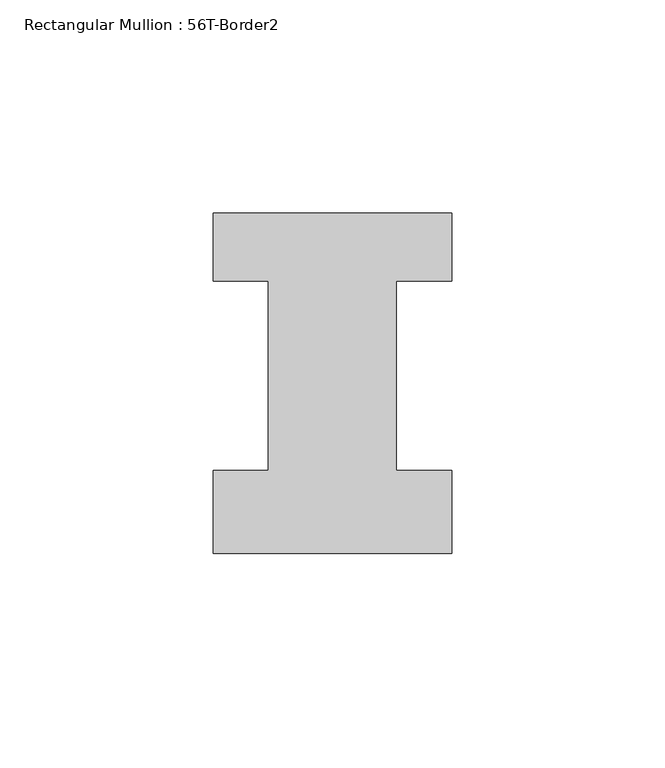
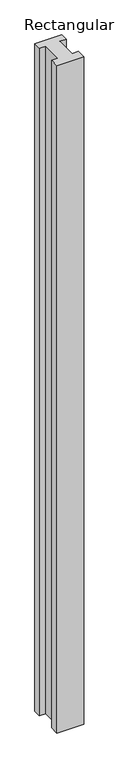
"""IFC4 building model written with IfcOpenShell, lengths in millimetres: member geometry, Rectangular Mullion : 56T-Border2."""

from ifc_helpers import new_model, si_unit, frame, origin, place, context, project, spatial, polyline, outline, extrude, source, transform, mapped, element, save


def rectangular_mullion_56t_border2_c3fa450f(model_context):
    return source(origin(), model_context, "Body", "SweptSolid", [
        extrude(outline(polyline([(0.0, -20.0), (-56.0, -20.0), (-56.0, -0.5), (-43.0, -0.5), (-43.0, 44.0), (-56.0, 44.0), (-56.0, 60.0), (0.0, 60.0), (0.0, 44.0), (-13.0, 44.0), (-13.0, -0.5), (0.0, -0.5), (0.0, -20.0)])), frame((0.0, 0.0, -1477.534293), z_axis=(0.0, 0.0, 1.0), x_axis=(1.0, 0.0, 0.0)), (0.0, 0.0, 1.0), 1477.534293),
    ])


if __name__ == "__main__":
    model = new_model("IFC4")
    model_context = context("Model", 3, world=origin())
    ifc_project = project(units=[si_unit("LENGTHUNIT", "METRE", prefix="MILLI")], contexts=[model_context])
    site = spatial("IfcSite", under=ifc_project)
    building = spatial("IfcBuilding", under=site)
    placement = place(None, origin())
    rectangular_mullion_56t_border2_shape = rectangular_mullion_56t_border2_c3fa450f(model_context)
    element("IfcMember", 1, ObjectType="Rectangular Mullion : 56T-Border2", at=placement, inside=building, context=model_context, shape_type="MappedRepresentation", body=[
        mapped(rectangular_mullion_56t_border2_shape, transform((0.0, 0.0, 0.0), x_axis=(1.0, 0.0, 0.0), y_axis=(0.0, 1.0, 0.0), z_axis=(0.0, 0.0, 1.0))),
    ])
    save(model, "model.ifc")
